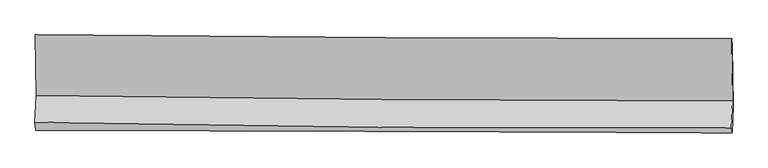
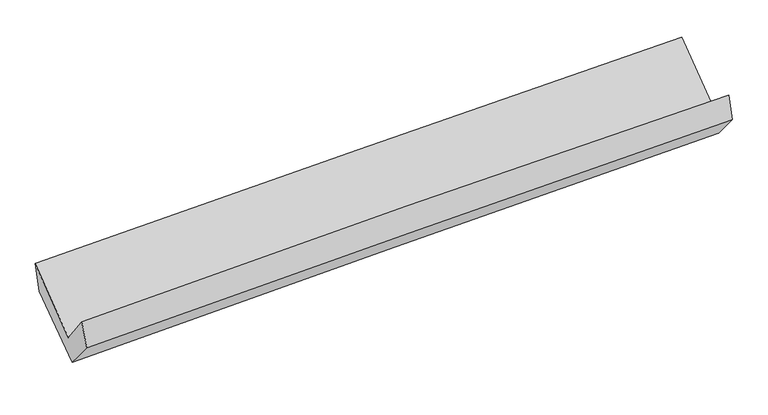
"""IFC4 building model written with IfcOpenShell, lengths in millimetres: proxy geometry."""

from ifc_helpers import new_model, si_unit, frame, origin, place, context, project, spatial, source, transform, mapped, element, save
from ifc_brep_helpers import plane_surface, spline_curve, spline_surface, advanced_brep


def generic_models_0ee12dd3(model_context):
    return source(origin(), model_context, "Body", "AdvancedBrep", [
        advanced_brep(
        [(-3045.6772534, -1168.2942547, 2171.3560473), (-3037.0923686, -1698.5329441, 1744.3726948), (3028.6501504, -1744.0971876, 1902.9054045), (3022.3301309, -1203.6463691, 2319.0442648), (-3046.8712843, -1931.5890262, 2052.4813775), (3018.7201382, -1980.6045583, 2216.1992571), (-3041.3388378, -2003.6114198, 1834.749767), (3023.9738517, -2024.3619589, 1997.4681457), (-3031.4827888, -1748.2377369, 1528.5722105), (3033.1544659, -1787.4742826, 1713.5359069), (-3039.2323256, -1227.8482703, 1922.8985104), (3027.2878573, -1268.2305835, 2105.3300821)],
        [
            (0, 1),
            (1, 2, spline_curve(3, [(-3037.0923686, -1698.5329441, 1744.3726948), (-2026.523428992, -1714.942232007, 1787.59807496), (-1015.696231589, -1726.943819039, 1822.422434586), (1006.21807219, -1742.129663297, 1875.262407592), (2017.305048054, -1745.316157502, 1893.282284204), (3028.6501504, -1744.0971876, 1902.9054045)], [4, 2, 4], [0.0, 9.957148165213038, 19.911769289831525])),
            (2, 3),
            (3, 0, spline_curve(3, [(3022.3301309, -1203.6463691, 2319.0442648), (2010.843146002, -1203.542581557, 2303.77580885), (999.496528718, -1200.545419586, 2283.836384071), (-1023.172670722, -1188.762850466, 2234.609349832), (-2034.495181484, -1179.975974621, 2205.31936889), (-3045.6772534, -1168.2942547, 2171.3560473)], [4, 2, 4], [0.0, 9.954621124618487, 19.911769289831525])),
            (1, 4),
            (4, 5, spline_curve(3, [(-3046.8712843, -1931.5890262, 2052.4813775), (-2036.550172884, -1953.74236054, 2103.622348409), (-1025.859468914, -1968.903286315, 2142.83620832), (996.004526301, -1985.238248184, 2197.402781532), (2007.177629791, -1986.4158331, 2212.761548041), (3018.7201382, -1980.6045583, 2216.1992571)], [4, 2, 4], [0.0, 9.956079850852065, 19.909632932238793])),
            (5, 2),
            (4, 6),
            (6, 7, spline_curve(3, [(-3041.3388378, -2003.6114198, 1834.749767), (-2030.429283172, -2004.904925835, 1865.412537908), (-1019.467628634, -2007.281247453, 1894.305284841), (1002.303294632, -2014.198643047, 1948.54384604), (2013.11253638, -2018.739168018, 1973.890558909), (3023.9738517, -2024.3619589, 1997.4681457)], [4, 2, 4], [0.0, 9.955230804112693, 19.907935054240983])),
            (7, 5),
            (6, 8),
            (8, 9, spline_curve(3, [(-3031.4827888, -1748.2377369, 1528.5722105), (-2020.818276965, -1756.078427688, 1567.071303246), (-1010.035428668, -1763.268817494, 1601.735960344), (1011.510383036, -1776.347336086, 1663.388580004), (2022.273286141, -1782.235794635, 1690.378488057), (3033.1544659, -1787.4742826, 1713.5359069)], [4, 2, 4], [0.0, 9.954622163608134, 19.906717927699713])),
            (9, 7),
            (8, 10),
            (10, 11, spline_curve(3, [(-3039.2323256, -1227.8482703, 1922.8985104), (-2028.255895318, -1235.489412107, 1961.846107057), (-1017.160157013, -1242.675544909, 1996.523923891), (1005.013297725, -1256.136085189, 2057.332280604), (2016.090953788, -1262.410723146, 2083.464987854), (3027.2878573, -1268.2305835, 2105.3300821)], [4, 2, 4], [0.0, 9.956231882715898, 19.909936957382047])),
            (11, 9),
            (10, 0),
            (3, 11),
        ],
        [
            spline_surface(3, 3, [[(-3045.6772534, -1168.2942547, 2171.3560473), (-2034.495181627, -1179.975974532, 2205.319368838), (-1023.172670688, -1188.762850557, 2234.609349946), (999.496528684, -1200.545419494, 2283.836383958), (2010.843145851, -1203.54258162, 2303.77580871), (3022.3301309, -1203.6463691, 2319.0442648)], [(-3042.815625142, -1345.040484509, 2029.028263125), (-2031.837930711, -1358.298060417, 2066.078937511), (-1020.680524367, -1368.156506741, 2097.213711493), (1001.737043243, -1381.073500749, 2147.645058469), (2012.99711331, -1384.133773581, 2166.944633932), (3024.436804074, -1383.796641924, 2180.331311385)], [(-3039.953996858, -1521.786714291, 1886.700478975), (-2029.180679768, -1536.620146275, 1926.838506206), (-1018.188378062, -1547.55016291, 1959.81807309), (1003.977557784, -1561.601581988, 2011.45373303), (2015.151080747, -1564.724965568, 2030.113459101), (3026.543477226, -1563.946914776, 2041.618357915)], [(-3037.0923686, -1698.5329441, 1744.3726948), (-2026.523428852, -1714.94223216, 1787.598074879), (-1015.696231741, -1726.943819094, 1822.422434637), (1006.218072342, -1742.129663242, 1875.262407541), (2017.305048206, -1745.316157529, 1893.282284324), (3028.6501504, -1744.0971876, 1902.9054045)]], [4, 4], [4, 2, 4], [0.0, 2.2250182223721646], [0.0, 9.957148165213038, 19.911769289831525]),
            spline_surface(3, 3, [[(-3037.0923686, -1698.5329441, 1744.3726948), (-2026.523428852, -1714.94223216, 1787.598074879), (-1015.696231741, -1726.943819094, 1822.422434637), (1006.218072342, -1742.129663242, 1875.262407541), (2017.305048206, -1745.316157529, 1893.282284324), (3028.6501504, -1744.0971876, 1902.9054045)], [(-3040.352007163, -1776.2183048, 1847.075589035), (-2029.865676869, -1794.542274914, 1892.939499347), (-1019.083977435, -1807.59697484, 1929.22702585), (1002.813556979, -1823.16585824, 1982.642532222), (2013.929242014, -1825.682716048, 1999.775372248), (3025.340146323, -1822.932977842, 2007.336688698)], [(-3043.611645737, -1853.9036655, 1949.778483265), (-2033.207924898, -1874.142317666, 1998.280923811), (-1022.47172315, -1888.250130552, 2036.031617059), (999.409041594, -1904.202053203, 2090.0226569), (2010.553435853, -1906.049274541, 2106.268460178), (3022.030142277, -1901.768768058, 2111.767972902)], [(-3046.8712843, -1931.5890262, 2052.4813775), (-2036.550172915, -1953.74236042, 2103.622348279), (-1025.859468844, -1968.903286298, 2142.836208271), (996.00452623, -1985.238248201, 2197.402781581), (2007.177629661, -1986.41583306, 2212.761548103), (3018.7201382, -1980.6045583, 2216.1992571)]], [4, 4], [4, 2, 4], [0.0, 1.321104659426095], [0.0, 9.956079850852065, 19.909632932238793]),
            spline_surface(3, 3, [[(-3046.8712843, -1931.5890262, 2052.4813775), (-2036.550172915, -1953.74236042, 2103.622348279), (-1025.859468844, -1968.903286298, 2142.836208271), (996.00452623, -1985.238248201, 2197.402781581), (2007.177629661, -1986.41583306, 2212.761548103), (3018.7201382, -1980.6045583, 2216.1992571)], [(-3045.027135458, -1955.596490713, 1979.904174021), (-2034.509876344, -1970.796548865, 2024.219078225), (-1023.728855404, -1981.695939943, 2059.992567122), (998.104115625, -1994.891713181, 2114.449803076), (2009.155931853, -1997.190278066, 2133.137885032), (3020.471376039, -1995.190358491, 2143.28888664)], [(-3043.182986642, -1979.603955287, 1907.326970479), (-2032.469579799, -1987.850737372, 1944.815808109), (-1021.59824191, -1994.48859365, 1977.148925969), (1000.203705073, -2004.545178224, 2031.496824566), (2011.134234027, -2007.964723101, 2053.514221943), (3022.222613861, -2009.776158709, 2070.37851616)], [(-3041.3388378, -2003.6114198, 1834.749767), (-2030.429283228, -2004.904925817, 1865.412538055), (-1019.467628469, -2007.281247296, 1894.30528482), (1002.303294468, -2014.198643204, 1948.543846061), (2013.112536219, -2018.739168107, 1973.890558873), (3023.9738517, -2024.3619589, 1997.4681457)]], [4, 4], [4, 2, 4], [0.0, 0.8236352630869673], [0.0, 9.955230804112693, 19.907935054240983]),
            spline_surface(3, 3, [[(-3041.3388378, -2003.6114198, 1834.749767), (-2030.429283228, -2004.904925817, 1865.412538055), (-1019.467628469, -2007.281247296, 1894.30528482), (1002.303294468, -2014.198643204, 1948.543846061), (2013.112536219, -2018.739168107, 1973.890558873), (3023.9738517, -2024.3619589, 1997.4681457)], [(-3038.053488137, -1918.486858829, 1732.690581502), (-2027.225614494, -1921.962759752, 1765.965459745), (-1016.323561857, -1925.943770729, 1796.782176695), (1005.372323979, -1934.914874183, 1853.492090661), (2016.166119544, -1939.90471033, 1879.386535254), (3027.034056442, -1945.399400156, 1902.824066102)], [(-3034.768138463, -1833.362297871, 1630.631395998), (-2024.021945749, -1839.020593698, 1666.518381428), (-1013.179495245, -1844.606294084, 1699.259068592), (1008.441353489, -1855.631105084, 1758.440335282), (2019.219702843, -1861.070252485, 1784.882511627), (3030.094261158, -1866.436841344, 1808.179986498)], [(-3031.4827888, -1748.2377369, 1528.5722105), (-2020.818277015, -1756.078427633, 1567.071303118), (-1010.035428632, -1763.268817517, 1601.735960467), (1011.510383, -1776.347336063, 1663.388579881), (2022.273286168, -1782.235794707, 1690.378488008), (3033.1544659, -1787.4742826, 1713.5359069)]], [4, 4], [4, 2, 4], [0.0, 1.2344740183906708], [0.0, 9.954622163608134, 19.906717927699713]),
            spline_surface(3, 3, [[(-3031.4827888, -1748.2377369, 1528.5722105), (-2020.818277015, -1756.078427633, 1567.071303118), (-1010.035428632, -1763.268817517, 1601.735960467), (1011.510383, -1776.347336063, 1663.388579881), (2022.273286168, -1782.235794707, 1690.378488008), (3033.1544659, -1787.4742826, 1713.5359069)], [(-3034.065967746, -1574.774581362, 1660.014310462), (-2023.297483146, -1582.548755767, 1698.662904393), (-1012.410338116, -1589.737726661, 1733.33194826), (1009.344687924, -1602.943585742, 1794.703146831), (2020.212508688, -1608.960770873, 1821.407321247), (3031.198929684, -1614.393049552, 1844.133965281)], [(-3036.649146654, -1401.311425838, 1791.456410438), (-2025.776689239, -1409.019083915, 1830.254505681), (-1014.785247588, -1416.20663583, 1864.927936012), (1007.17899286, -1429.539835445, 1926.017713741), (2018.151731257, -1435.685747082, 1952.436154542), (3029.243393516, -1441.311816548, 1974.732023719)], [(-3039.2323256, -1227.8482703, 1922.8985104), (-2028.25589537, -1235.489412049, 1961.846106956), (-1017.160157071, -1242.675544973, 1996.523923804), (1005.013297784, -1256.136085124, 2057.332280691), (2016.090953777, -1262.410723248, 2083.464987782), (3027.2878573, -1268.2305835, 2105.3300821)]], [4, 4], [4, 2, 4], [0.0, 2.142339333925755], [0.0, 9.956231882715898, 19.909936957382047]),
            spline_surface(3, 3, [[(-3039.2323256, -1227.8482703, 1922.8985104), (-2028.25589537, -1235.489412049, 1961.846106956), (-1017.160157071, -1242.675544973, 1996.523923804), (1005.013297784, -1256.136085124, 2057.332280691), (2016.090953777, -1262.410723248, 2083.464987782), (3027.2878573, -1268.2305835, 2105.3300821)], [(-3041.380634854, -1207.996931787, 2005.717689354), (-2030.335657444, -1216.984932897, 2043.003860905), (-1019.164328268, -1224.704646821, 2075.885732526), (1003.17437476, -1237.605863234, 2132.833648455), (2014.341684473, -1242.788009374, 2156.901928085), (3025.635281839, -1246.702512035, 2176.568142994)], [(-3043.528944146, -1188.145593213, 2088.536868346), (-2032.415419554, -1198.480453685, 2124.16161489), (-1021.168499491, -1206.73374871, 2155.247541224), (1001.335451709, -1219.075641384, 2208.335016194), (2012.592415154, -1223.165295494, 2230.338868407), (3023.982706361, -1225.174440565, 2247.806203906)], [(-3045.6772534, -1168.2942547, 2171.3560473), (-2034.495181627, -1179.975974532, 2205.319368838), (-1023.172670688, -1188.762850557, 2234.609349946), (999.496528684, -1200.545419494, 2283.836383958), (2010.843145851, -1203.54258162, 2303.77580871), (3022.3301309, -1203.6463691, 2319.0442648)]], [4, 4], [4, 2, 4], [0.0, 0.7832382246246002], [0.0, 9.958131279577284, 19.913735269053845]),
            plane_surface(frame((3025.6860991, -1668.0691567, 2042.4138435), z_axis=(0.9996395099010871, -0.008035654881332973, 0.025617933081001718), x_axis=(-0.009018605187567147, 0.7982216300471281, 0.6022963507156394))),
            plane_surface(frame((-3040.2824764, -1629.6856087, 1875.7384346), z_axis=(-0.9996096793545148, 0.005819181632065489, -0.027324459114449116), x_axis=(0.025217212334311172, -0.23301832239495412, -0.9721453356521995))),
        ],
        [
            (0, [[1, 2, 3, 4]]),
            (1, [[5, 6, 7, -2]]),
            (2, [[8, 9, 10, -6]]),
            (3, [[11, 12, 13, -9]]),
            (4, [[14, 15, 16, -12]]),
            (5, [[17, -4, 18, -15]]),
            (6, [[-16, -18, -3, -7, -10, -13]]),
            (7, [[-17, -14, -11, -8, -5, -1]]),
        ],
    ),
    ])


if __name__ == "__main__":
    model = new_model("IFC4")
    model_context = context("Model", 3, world=origin())
    ifc_project = project(units=[si_unit("LENGTHUNIT", "METRE", prefix="MILLI")], contexts=[model_context])
    site = spatial("IfcSite", under=ifc_project)
    building = spatial("IfcBuilding", under=site)
    placement = place(None, origin())
    generic_models_shape = generic_models_0ee12dd3(model_context)
    element("IfcBuildingElementProxy", 1, Name="Generic Models", at=placement, inside=building, context=model_context, shape_type="MappedRepresentation", body=[
        mapped(generic_models_shape, transform((0.0, 0.0, 0.0), x_axis=(1.0, 0.0, 0.0), y_axis=(0.0, 1.0, 0.0), z_axis=(0.0, 0.0, 1.0))),
    ])
    save(model, "model.ifc")
